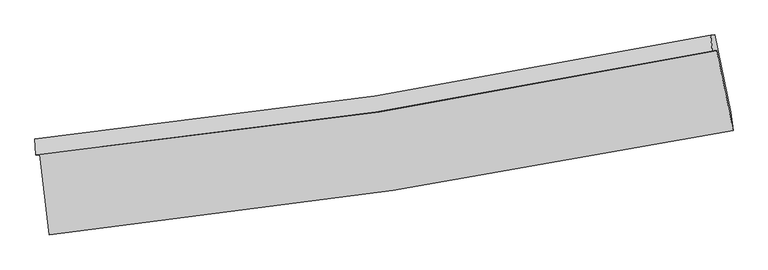
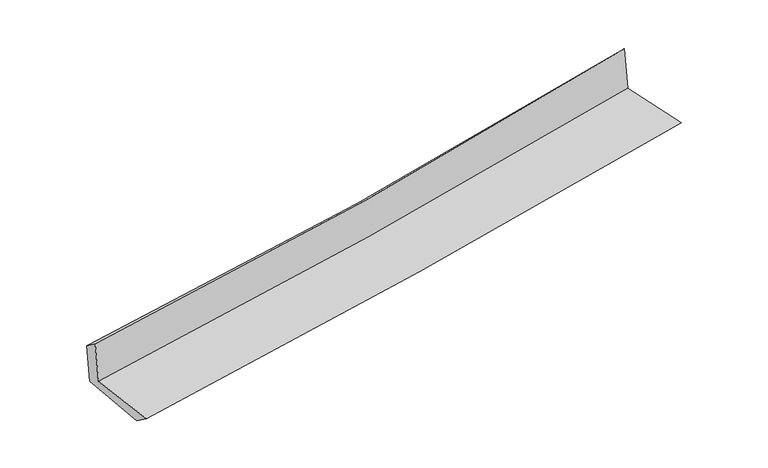
"""IFC4 building model written with IfcOpenShell, lengths in millimetres: proxy geometry."""

from ifc_helpers import new_model, si_unit, frame, origin, place, context, project, spatial, source, transform, mapped, element, save
from ifc_brep_helpers import plane_surface, spline_curve, spline_surface, advanced_brep


def generic_models_8aee4a9a(model_context):
    return source(origin(), model_context, "Body", "AdvancedBrep", [
        advanced_brep(
        [(-2817.842021, -1902.5336058, 1628.7789542), (-2740.2301135, -2565.8584303, 1624.9821418), (2893.7526891, -1705.7464348, 2136.5512682), (2757.7372448, -1046.3542836, 2135.4327224), (-2851.1276188, -1906.2134364, 2027.3371302), (2722.7205931, -1050.4716473, 2549.3738169), (-2858.2773286, -1773.7790459, 1929.4356349), (2708.2993675, -919.1852286, 2403.043174), (-2827.1421541, -1770.1982625, 1556.4353597), (2740.6809623, -915.4408604, 2020.4022468), (-2748.3704201, -2421.390662, 1522.2156452), (2874.7820712, -1552.840227, 1991.2202567)],
        [
            (0, 1),
            (1, 2, spline_curve(3, [(-2740.2301135, -2565.8584303, 1624.9821418), (-1794.214983936, -2465.895377713, 1726.641582932), (-850.988327954, -2344.093533456, 1820.155322423), (1026.988772718, -2057.255089561, 1990.628217384), (1961.756384259, -1892.352935375, 2067.637520193), (2893.7526891, -1705.7464348, 2136.5512682)], [4, 2, 4], [0.0, 9.357084309484724, 18.685321787496015])),
            (2, 3),
            (3, 0, spline_curve(3, [(2757.7372448, -1046.3542836, 2135.4327224), (1836.271502361, -1239.989368891, 2067.288834143), (911.629246179, -1408.08452959, 1991.073405059), (-946.877499431, -1693.635841322, 1822.238814199), (-1880.761664955, -1810.933788537, 1729.569653994), (-2817.842021, -1902.5336058, 1628.7789542)], [4, 2, 4], [0.0, 9.32823747801129, 18.685321787496015])),
            (4, 0),
            (3, 5),
            (5, 4, spline_curve(3, [(2722.7205931, -1050.4716473, 2549.3738169), (1802.820696966, -1243.815073839, 2463.283535952), (879.106382149, -1411.727831074, 2376.803102534), (-978.819393887, -1697.132621635, 2202.793290298), (-1913.05448291, -1814.467127547, 2115.26149486), (-2851.1276188, -1906.2134364, 2027.3371302)], [4, 2, 4], [0.0, 9.280304138983128, 18.589306879406294])),
            (6, 4),
            (5, 7),
            (7, 6, spline_curve(3, [(2708.2993675, -919.1852286, 2403.043174), (1788.886281691, -1112.415840538, 2332.34623413), (866.019838157, -1280.176734302, 2257.597664669), (-989.484335969, -1565.199109826, 2099.75358239), (-1922.143457498, -1682.302821702, 2016.632972167), (-2858.2773286, -1773.7790459, 1929.4356349)], [4, 2, 4], [0.0, 9.27034929679871, 18.569366410480832])),
            (8, 6),
            (7, 9),
            (9, 8, spline_curve(3, [(2740.6809623, -915.4408604, 2020.4022468), (1821.325137324, -1108.671331075, 1948.190564744), (898.383820339, -1276.445744351, 1873.48436358), (-957.535008505, -1561.522563428, 1718.844186542), (-1890.53473029, -1678.667284221, 1638.894758756), (-2827.1421541, -1770.1982625, 1556.4353597)], [4, 2, 4], [0.0, 9.2613424100047, 18.551324783812735])),
            (10, 8),
            (9, 11),
            (11, 10, spline_curve(3, [(2874.7820712, -1552.840227, 1991.2202567), (1944.923851046, -1737.15189429, 1918.780035366), (1012.126673855, -1901.605894358, 1843.540873218), (-862.239284726, -2191.245712485, 1687.223340363), (-1803.82627122, -2316.308524121, 1606.127631987), (-2748.3704201, -2421.390662, 1522.2156452)], [4, 2, 4], [0.0, 9.307511483684108, 18.64380570535487])),
            (1, 10),
            (11, 2),
        ],
        [
            spline_surface(3, 3, [[(-2817.842021, -1902.5336058, 1628.7789542), (-1880.761665023, -1810.933788405, 1729.569653842), (-946.877499297, -1693.635841453, 1822.238814108), (911.629246045, -1408.084529459, 1991.073405149), (1836.271502219, -1239.989368985, 2067.288834232), (2757.7372448, -1046.3542836, 2135.4327224)], [(-2791.971385166, -2123.641880646, 1627.513350088), (-1851.912771374, -2029.254318203, 1728.593630246), (-914.91444221, -1910.455072136, 1821.544316872), (950.082421661, -1624.47471615, 1990.925009234), (1878.099796254, -1457.443891089, 2067.405062862), (2803.075726206, -1266.151667345, 2135.805571001)], [(-2766.100749334, -2344.750155454, 1626.247745912), (-1823.063877728, -2247.574847962, 1727.617606586), (-882.95138517, -2127.274302811, 1820.849819637), (988.535597231, -1840.864902832, 1990.77661332), (1919.92809037, -1674.898413159, 2067.521291489), (2848.414207694, -1485.949051055, 2136.178419599)], [(-2740.2301135, -2565.8584303, 1624.9821418), (-1794.21498408, -2465.89537776, 1726.641582991), (-850.988328083, -2344.093533495, 1820.155322401), (1026.988772846, -2057.255089522, 1990.628217405), (1961.756384405, -1892.352935264, 2067.637520119), (2893.7526891, -1705.7464348, 2136.5512682)]], [4, 4], [4, 2, 4], [0.0, 2.1599111783848355], [0.0, 9.357084309484724, 18.685321787496015]),
            spline_surface(3, 3, [[(-2851.1276188, -1906.2134364, 2027.3371302), (-1913.054482933, -1814.467127599, 2115.261494843), (-978.819393833, -1697.132621781, 2202.79329036), (879.106382095, -1411.727830929, 2376.803102472), (1802.820696939, -1243.815073685, 2463.283535908), (2722.7205931, -1050.4716473, 2549.3738169)], [(-2840.032419527, -1904.986826198, 1894.484404843), (-1902.29021029, -1813.289347866, 1986.697547819), (-968.172095645, -1695.967028337, 2075.941798277), (889.947336755, -1410.513397104, 2248.226536699), (1813.970965377, -1242.539838782, 2331.285302043), (2734.392810344, -1049.09919273, 2411.393452094)], [(-2828.937220273, -1903.760216002, 1761.631679557), (-1891.525937666, -1812.111568138, 1858.133600866), (-957.524797485, -1694.801434898, 1949.090306191), (900.788291386, -1409.298963284, 2119.649970923), (1825.121233781, -1241.264603888, 2199.287068097), (2746.065027556, -1047.72673817, 2273.413087206)], [(-2817.842021, -1902.5336058, 1628.7789542), (-1880.761665023, -1810.933788405, 1729.569653842), (-946.877499297, -1693.635841453, 1822.238814108), (911.629246045, -1408.084529459, 1991.073405149), (1836.271502219, -1239.989368985, 2067.288834232), (2757.7372448, -1046.3542836, 2135.4327224)]], [4, 4], [4, 2, 4], [0.0, 1.2614963400389745], [0.0, 9.309002740423166, 18.589306879406294]),
            spline_surface(3, 3, [[(-2858.2773286, -1773.7790459, 1929.4356349), (-1922.143457466, -1682.30282182, 2016.632972301), (-989.48433584, -1565.199109806, 2099.753582397), (866.019838028, -1280.176734322, 2257.597664662), (1788.886281778, -1112.415840568, 2332.346234273), (2708.2993675, -919.1852286, 2403.043174)], [(-2855.894092023, -1817.923842736, 1962.06946667), (-1919.113799311, -1726.357590416, 2049.509146484), (-985.92935518, -1609.176947136, 2134.100151694), (870.382019374, -1324.027099863, 2297.332810575), (1793.531086825, -1156.215584957, 2375.992001465), (2713.106442694, -962.947368183, 2451.820054947)], [(-2853.510855377, -1862.068639564, 1994.70329843), (-1916.084141088, -1770.412359003, 2082.385320659), (-982.374374493, -1653.154784451, 2168.446721063), (874.744200749, -1367.877465388, 2337.067956559), (1798.175891891, -1200.015329296, 2419.637768716), (2717.913517906, -1006.709507717, 2500.596935953)], [(-2851.1276188, -1906.2134364, 2027.3371302), (-1913.054482933, -1814.467127599, 2115.261494843), (-978.819393833, -1697.132621781, 2202.79329036), (879.106382095, -1411.727830929, 2376.803102472), (1802.820696939, -1243.815073685, 2463.283535908), (2722.7205931, -1050.4716473, 2549.3738169)]], [4, 4], [4, 2, 4], [0.0, 0.5667390569909275], [0.0, 9.299017113682122, 18.569366410480832]),
            spline_surface(3, 3, [[(-2827.1421541, -1770.1982625, 1556.4353597), (-1890.534730215, -1678.667284329, 1638.894758632), (-957.535008496, -1561.522563449, 1718.844186563), (898.383820329, -1276.445744331, 1873.484363559), (1821.325137388, -1108.671331148, 1948.190564621), (2740.6809623, -915.4408604, 2020.4022468)], [(-2837.520545576, -1771.391856952, 1680.768784784), (-1901.070972608, -1679.879130145, 1764.807496539), (-968.184784274, -1562.74807892, 1845.813985176), (887.595826232, -1277.68940768, 2001.522130595), (1810.512185525, -1109.919500926, 2076.242454499), (2729.887097374, -916.688983105, 2147.949222527)], [(-2847.898937124, -1772.585451448, 1805.102209816), (-1911.607215073, -1681.090976004, 1890.720234393), (-978.834560062, -1563.973594335, 1972.783783784), (876.807832125, -1278.933070973, 2129.559897626), (1799.69923364, -1111.167670789, 2204.294344395), (2719.093232426, -917.937105895, 2275.496198273)], [(-2858.2773286, -1773.7790459, 1929.4356349), (-1922.143457466, -1682.30282182, 2016.632972301), (-989.48433584, -1565.199109806, 2099.753582397), (866.019838028, -1280.176734322, 2257.597664662), (1788.886281778, -1112.415840568, 2332.346234273), (2708.2993675, -919.1852286, 2403.043174)]], [4, 4], [4, 2, 4], [0.0, 1.2594275006181588], [0.0, 9.289982373808035, 18.551324783812735]),
            spline_surface(3, 3, [[(-2748.3704201, -2421.390662, 1522.2156452), (-1803.826271259, -2316.308524072, 1606.127632099), (-862.239284778, -2191.245712453, 1687.223340418), (1012.126673907, -1901.60589439, 1843.540873163), (1944.923851179, -1737.151894316, 1918.780035314), (2874.7820712, -1552.840227, 1991.2202567)], [(-2774.627664779, -2204.326528834, 1533.622216689), (-1832.729090924, -2103.761444159, 1617.050007599), (-894.004526016, -1981.337996117, 1697.763622483), (974.212389383, -1693.219177702, 1853.522036645), (1903.724279908, -1527.658373263, 1928.583545077), (2830.081701559, -1340.37377147, 2000.947586728)], [(-2800.884909421, -1987.262395666, 1545.028788211), (-1861.63191055, -1891.214364242, 1627.972383131), (-925.769767258, -1771.430279785, 1708.303904498), (936.298104854, -1484.832461019, 1863.503200077), (1862.524708659, -1318.1648522, 1938.387054858), (2785.381331941, -1127.90731593, 2010.674916772)], [(-2827.1421541, -1770.1982625, 1556.4353597), (-1890.534730215, -1678.667284329, 1638.894758632), (-957.535008496, -1561.522563449, 1718.844186563), (898.383820329, -1276.445744331, 1873.484363559), (1821.325137388, -1108.671331148, 1948.190564621), (2740.6809623, -915.4408604, 2020.4022468)]], [4, 4], [4, 2, 4], [0.0, 2.0893514295520115], [0.0, 9.33629422167076, 18.64380570535487]),
            spline_surface(3, 3, [[(-2740.2301135, -2565.8584303, 1624.9821418), (-1794.21498408, -2465.89537776, 1726.641582991), (-850.988328083, -2344.093533495, 1820.155322401), (1026.988772846, -2057.255089522, 1990.628217405), (1961.756384405, -1892.352935264, 2067.637520119), (2893.7526891, -1705.7464348, 2136.5512682)], [(-2742.943549028, -2517.702507533, 1590.726642926), (-1797.418746468, -2416.033093197, 1686.47026602), (-854.738647002, -2293.144259791, 1775.844661745), (1022.034739846, -2005.372024455, 1941.599102662), (1956.145540019, -1840.619254949, 2018.01835852), (2887.429149822, -1654.777698867, 2088.107597703)], [(-2745.656984572, -2469.546584767, 1556.471144074), (-1800.622508871, -2366.170808635, 1646.29894907), (-858.488965859, -2242.194986157, 1731.534001075), (1017.080706907, -1953.488959457, 1892.569987906), (1950.534695566, -1788.885574632, 1968.399196912), (2881.105610478, -1603.808962933, 2039.663927197)], [(-2748.3704201, -2421.390662, 1522.2156452), (-1803.826271259, -2316.308524072, 1606.127632099), (-862.239284778, -2191.245712453, 1687.223340418), (1012.126673907, -1901.60589439, 1843.540873163), (1944.923851179, -1737.151894316, 1918.780035314), (2874.7820712, -1552.840227, 1991.2202567)]], [4, 4], [4, 2, 4], [0.0, 0.6847307605450885], [0.0, 9.393372436881334, 18.75778617010118]),
            plane_surface(frame((2782.995488, -1198.3397803, 2206.0039142), z_axis=(0.9758455963394015, 0.2014349869764601, 0.08455364052949785), x_axis=(-0.08432116080144578, -0.009750275366270263, 0.9963909242718837))),
            plane_surface(frame((-2807.1649427, -2056.6622405, 1714.8641443), z_axis=(-0.9897921721210113, -0.1153307680118505, -0.08372735489532053), x_axis=(-0.11620973265802108, 0.9932084264607777, 0.005685036750734478))),
        ],
        [
            (0, [[1, 2, 3, 4]]),
            (1, [[5, -4, 6, 7]]),
            (2, [[8, -7, 9, 10]]),
            (3, [[11, -10, 12, 13]]),
            (4, [[14, -13, 15, 16]]),
            (5, [[17, -16, 18, -2]]),
            (6, [[-12, -9, -6, -3, -18, -15]]),
            (7, [[-1, -5, -8, -11, -14, -17]]),
        ],
    ),
    ])


if __name__ == "__main__":
    model = new_model("IFC4")
    model_context = context("Model", 3, world=origin())
    ifc_project = project(units=[si_unit("LENGTHUNIT", "METRE", prefix="MILLI")], contexts=[model_context])
    site = spatial("IfcSite", under=ifc_project)
    building = spatial("IfcBuilding", under=site)
    placement = place(None, origin())
    generic_models_shape = generic_models_8aee4a9a(model_context)
    element("IfcBuildingElementProxy", 1, Name="Generic Models", at=placement, inside=building, context=model_context, shape_type="MappedRepresentation", body=[
        mapped(generic_models_shape, transform((0.0, 0.0, 0.0), x_axis=(1.0, 0.0, 0.0), y_axis=(0.0, 1.0, 0.0), z_axis=(0.0, 0.0, 1.0))),
    ])
    save(model, "model.ifc")
